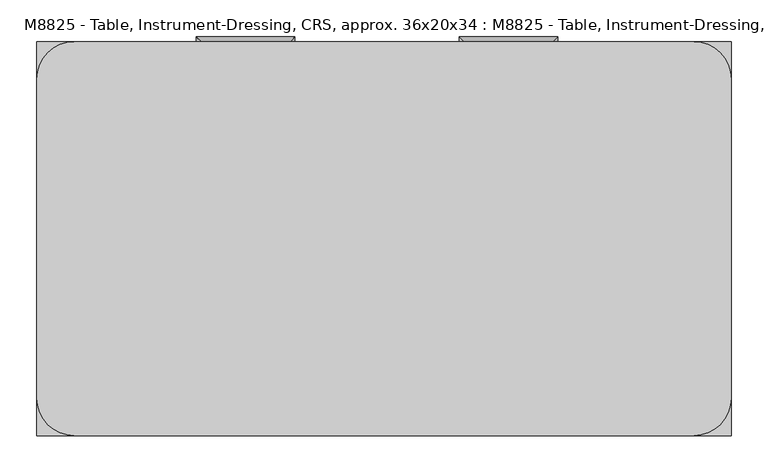
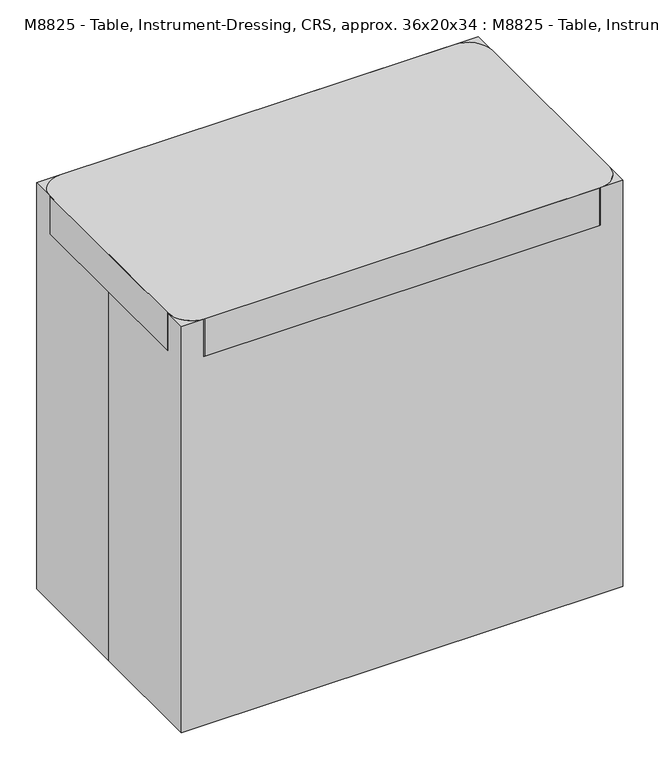
"""IFC4 building model written with IfcOpenShell, lengths in millimetres: proxy geometry, M8825 - Table, Instrument-Dressing, CRS, approx. 36x20x34 : M8825 - Table, Instrument-Dressing, CRS, approx. 36x20x34."""

from ifc_helpers import new_model, si_unit, point, frame, frame_2d, origin, origin_with_axes, place, context, project, spatial, polyline, circle_curve, ellipse_curve, trimmed, segment, composite_curve, outline, extrude, source, transform, mapped, element, save
from ifc_brep_helpers import plane_surface, cylinder_surface, advanced_brep


def m8825_table_instrument_dressing_crs_approx_36x20x34_m8825_625bd398(model_context):
    return source(origin(), model_context, "Body", "SolidModel", [
        extrude(outline(polyline([(-349.25, -174.4117179), (-400.05, -174.4117179), (-400.05, 171.4283546), (-349.25, 171.4283546), (-349.25, 209.5283546), (349.25, 209.5283546), (349.25, 171.4283546), (400.05, 171.4283546), (400.05, -174.4117179), (349.25, -174.4117179), (349.25, -212.5117179), (-349.25, -212.5117179), (-349.25, -174.4117179)])), frame((0.0, 0.0, 292.1), z_axis=(0.0, 0.0, 1.0), x_axis=(1.0, 0.0, 0.0)), (0.0, 0.0, 1.0), 38.1),
        advanced_brep(
        [(101.6, 228.5783546, 755.65), (114.3, 228.5783546, 755.65), (114.3, 260.35, 755.65), (101.6, 273.05, 755.65), (222.25, 260.35, 755.65), (234.95, 273.05, 755.65), (234.95, 228.5783546, 755.65), (222.25, 228.5783546, 755.65)],
        [
            (0, 1, circle_curve(frame((107.95, 228.5783546, 755.65), z_axis=(0.0, -1.0, 0.0), x_axis=(1.0, 0.0, 0.0)), 6.35)),
            (1, 0, circle_curve(frame((107.95, 228.5783546, 755.65), z_axis=(0.0, -1.0, 0.0), x_axis=(1.0, 0.0, 0.0)), 6.35)),
            (1, 2),
            (2, 3, ellipse_curve(frame((107.95, 266.7, 755.65), z_axis=(-0.7071067811865457, -0.7071067811865492, 0.0), x_axis=(0.7071067811865491, -0.7071067811865458, 0.0)), 8.9802561, 6.35)),
            (3, 0),
            (3, 2, ellipse_curve(frame((107.95, 266.7, 755.65), z_axis=(-0.7071067811865457, -0.7071067811865492, 0.0), x_axis=(0.7071067811865491, -0.7071067811865458, 0.0)), 8.9802561, 6.35)),
            (2, 4),
            (4, 5, ellipse_curve(frame((228.6, 266.7, 755.65), z_axis=(-0.7071067811865492, 0.7071067811865457, 0.0), x_axis=(-0.7071067811865458, -0.7071067811865492, 0.0)), 8.9802561, 6.35)),
            (5, 3),
            (5, 4, ellipse_curve(frame((228.6, 266.7, 755.65), z_axis=(-0.7071067811865492, 0.7071067811865457, 0.0), x_axis=(-0.7071067811865458, -0.7071067811865492, 0.0)), 8.9802561, 6.35)),
            (6, 7, circle_curve(frame((228.6, 228.5783546, 755.65), z_axis=(0.0, -1.0, 0.0), x_axis=(-1.0, 0.0, 0.0)), 6.35)),
            (7, 6, circle_curve(frame((228.6, 228.5783546, 755.65), z_axis=(0.0, -1.0, 0.0), x_axis=(-1.0, 0.0, 0.0)), 6.35)),
            (4, 7),
            (6, 5),
        ],
        [
            plane_surface(frame((107.95, 228.5783546, 755.65), z_axis=(0.0, -1.0, 0.0), x_axis=(0.0, 0.0, 1.0))),
            cylinder_surface(frame((107.95, 228.5783546, 755.65), z_axis=(0.0, -1.0, 0.0), x_axis=(1.0, 0.0, 0.0)), 6.35),
            cylinder_surface(frame((107.95, 266.7, 755.65), z_axis=(-1.0, 0.0, 0.0), x_axis=(0.0, -1.0, 0.0)), 6.35),
            plane_surface(frame((228.6, 228.5783546, 755.65), z_axis=(0.0, -1.0, 0.0), x_axis=(0.0, 0.0, 1.0))),
            cylinder_surface(frame((228.6, 266.7, 755.65), z_axis=(0.0, 1.0, 0.0), x_axis=(-1.0, 0.0, 0.0)), 6.35),
        ],
        [
            (0, [[1, 2]]),
            (1, [[3, 4, 5, -2]]),
            (1, [[-5, 6, -3, -1]]),
            (2, [[7, 8, 9, -4]]),
            (2, [[-9, 10, -7, -6]]),
            (3, [[11, 12]]),
            (4, [[13, -11, 14, -8]]),
            (4, [[-14, -12, -13, -10]]),
        ],
    ),
        extrude(outline(polyline([(328.7951144, 228.5783546), (328.7951144, 209.5283546), (23.9951144, 209.5283546), (23.9951144, 228.5783546), (328.7951144, 228.5783546)])), frame((0.0, 0.0, 714.264534), z_axis=(0.0, 0.0, 1.0), x_axis=(1.0, 0.0, 0.0)), (0.0, 0.0, 1.0), 88.9),
        advanced_brep(
        [(-254.0, 228.5783546, 755.65), (-241.3, 228.5783546, 755.65), (-241.3, 260.35, 755.65), (-254.0, 273.05, 755.65), (-133.35, 260.35, 755.65), (-120.65, 273.05, 755.65), (-120.65, 228.5783546, 755.65), (-133.35, 228.5783546, 755.65)],
        [
            (0, 1, circle_curve(frame((-247.65, 228.5783546, 755.65), z_axis=(0.0, -1.0, 0.0), x_axis=(1.0, 0.0, 0.0)), 6.35)),
            (1, 0, circle_curve(frame((-247.65, 228.5783546, 755.65), z_axis=(0.0, -1.0, 0.0), x_axis=(1.0, 0.0, 0.0)), 6.35)),
            (1, 2),
            (2, 3, ellipse_curve(frame((-247.65, 266.7, 755.65), z_axis=(-0.7071067811865457, -0.7071067811865492, 0.0), x_axis=(0.7071067811865491, -0.7071067811865458, 0.0)), 8.9802561, 6.35)),
            (3, 0),
            (3, 2, ellipse_curve(frame((-247.65, 266.7, 755.65), z_axis=(-0.7071067811865457, -0.7071067811865492, 0.0), x_axis=(0.7071067811865491, -0.7071067811865458, 0.0)), 8.9802561, 6.35)),
            (2, 4),
            (4, 5, ellipse_curve(frame((-127.0, 266.7, 755.65), z_axis=(-0.7071067811865492, 0.7071067811865457, 0.0), x_axis=(-0.7071067811865458, -0.7071067811865492, 0.0)), 8.9802561, 6.35)),
            (5, 3),
            (5, 4, ellipse_curve(frame((-127.0, 266.7, 755.65), z_axis=(-0.7071067811865492, 0.7071067811865457, 0.0), x_axis=(-0.7071067811865458, -0.7071067811865492, 0.0)), 8.9802561, 6.35)),
            (6, 7, circle_curve(frame((-127.0, 228.5783546, 755.65), z_axis=(0.0, -1.0, 0.0), x_axis=(-1.0, 0.0, 0.0)), 6.35)),
            (7, 6, circle_curve(frame((-127.0, 228.5783546, 755.65), z_axis=(0.0, -1.0, 0.0), x_axis=(-1.0, 0.0, 0.0)), 6.35)),
            (4, 7),
            (6, 5),
        ],
        [
            plane_surface(frame((-247.65, 228.5783546, 755.65), z_axis=(0.0, -1.0, 0.0), x_axis=(0.0, 0.0, 1.0))),
            cylinder_surface(frame((-247.65, 228.5783546, 755.65), z_axis=(0.0, -1.0, 0.0), x_axis=(1.0, 0.0, 0.0)), 6.35),
            cylinder_surface(frame((-247.65, 266.7, 755.65), z_axis=(-1.0, 0.0, 0.0), x_axis=(0.0, -1.0, 0.0)), 6.35),
            plane_surface(frame((-127.0, 228.5783546, 755.65), z_axis=(0.0, -1.0, 0.0), x_axis=(0.0, 0.0, 1.0))),
            cylinder_surface(frame((-127.0, 266.7, 755.65), z_axis=(0.0, 1.0, 0.0), x_axis=(-1.0, 0.0, 0.0)), 6.35),
        ],
        [
            (0, [[1, 2]]),
            (1, [[3, 4, 5, -2]]),
            (1, [[-5, 6, -3, -1]]),
            (2, [[7, 8, 9, -4]]),
            (2, [[-9, 10, -7, -6]]),
            (3, [[11, 12]]),
            (4, [[13, -11, 14, -8]]),
            (4, [[-14, -12, -13, -10]]),
        ],
    ),
        extrude(outline(polyline([(-26.8048856, 228.5783546), (-26.8048856, 209.5283546), (-331.6048856, 209.5283546), (-331.6048856, 228.5783546), (-26.8048856, 228.5783546)])), frame((0.0, 0.0, 714.264534), z_axis=(0.0, 0.0, 1.0), x_axis=(1.0, 0.0, 0.0)), (0.0, 0.0, 1.0), 88.9),
        extrude(outline(polyline([(349.25, -193.4617179), (349.25, -212.5117179), (-349.25, -212.5117179), (-349.25, -193.4617179), (349.25, -193.4617179)])), frame((0.0, 0.0, 690.1016667), z_axis=(0.0, 0.0, 1.0), x_axis=(1.0, 0.0, 0.0)), (0.0, 0.0, 1.0), 139.7),
        extrude(outline(polyline([(349.25, 209.5283546), (349.25, 190.4783546), (-349.25, 190.4783546), (-349.25, 209.5283546), (349.25, 209.5283546)])), frame((0.0, 0.0, 690.1016667), z_axis=(0.0, 0.0, 1.0), x_axis=(1.0, 0.0, 0.0)), (0.0, 0.0, 1.0), 139.7),
        extrude(outline(polyline([(381.0, 171.4283546), (400.05, 171.4283546), (400.05, -174.4117179), (381.0, -174.4117179), (381.0, 171.4283546)])), frame((0.0, 0.0, 690.1016667), z_axis=(0.0, 0.0, 1.0), x_axis=(1.0, 0.0, 0.0)), (0.0, 0.0, 1.0), 139.7),
        extrude(outline(polyline([(-381.0, -174.4117179), (-400.05, -174.4117179), (-400.05, 171.4283546), (-381.0, 171.4283546), (-381.0, -174.4117179)])), frame((0.0, 0.0, 690.1016667), z_axis=(0.0, 0.0, 1.0), x_axis=(1.0, 0.0, 0.0)), (0.0, 0.0, 1.0), 139.7),
        extrude(outline(polyline([(349.25, 209.5283546), (400.05, 209.5283546), (400.05, 171.4283546), (349.25, 171.4283546), (349.25, 209.5283546)])), frame((0.0, 0.0, 127.0), z_axis=(0.0, 0.0, 1.0), x_axis=(1.0, 0.0, 0.0)), (0.0, 0.0, 1.0), 702.8016667),
        extrude(outline(polyline([(349.25, -212.5117179), (349.25, -174.4117179), (400.05, -174.4117179), (400.05, -212.5117179), (349.25, -212.5117179)])), frame((0.0, 0.0, 127.0), z_axis=(0.0, 0.0, 1.0), x_axis=(1.0, 0.0, 0.0)), (0.0, 0.0, 1.0), 702.8016667),
        extrude(outline(polyline([(-349.25, 209.5283546), (-349.25, 171.4283546), (-400.05, 171.4283546), (-400.05, 209.5283546), (-349.25, 209.5283546)])), frame((0.0, 0.0, 127.0), z_axis=(0.0, 0.0, 1.0), x_axis=(1.0, 0.0, 0.0)), (0.0, 0.0, 1.0), 702.8016667),
        extrude(outline(polyline([(-349.25, -212.5117179), (-400.05, -212.5117179), (-400.05, -174.4117179), (-349.25, -174.4117179), (-349.25, -212.5117179)])), frame((0.0, 0.0, 127.0), z_axis=(0.0, 0.0, 1.0), x_axis=(1.0, 0.0, 0.0)), (0.0, 0.0, 1.0), 702.8016667),
        extrude(outline(composite_curve([segment(trimmed(circle_curve(frame_2d((-366.1833333, -193.6533546)), 16.9333333), [point((-366.1833333, -210.5866879))], [point((-366.1833333, -176.7200213))], False, "CARTESIAN"), True, "CONTINUOUS"), segment(trimmed(circle_curve(frame_2d((-366.1833333, -193.6533546)), 16.9333333), [point((-366.1833333, -176.7200213))], [point((-366.1833333, -210.5866879))], False, "CARTESIAN"), True, "CONTINUOUS")], self_intersect=False)), frame((0.0, 0.0, 84.8149176), z_axis=(0.0, 0.0, 1.0), x_axis=(1.0, 0.0, 0.0)), (0.0, 0.0, 1.0), 42.1850824),
        extrude(outline(composite_curve([segment(trimmed(circle_curve(frame_2d((-366.1833333, 190.4783546)), 16.9333333), [point((-366.1833333, 207.4116879))], [point((-366.1833333, 173.5450213))], False, "CARTESIAN"), True, "CONTINUOUS"), segment(trimmed(circle_curve(frame_2d((-366.1833333, 190.4783546)), 16.9333333), [point((-366.1833333, 173.5450213))], [point((-366.1833333, 207.4116879))], False, "CARTESIAN"), True, "CONTINUOUS")], self_intersect=False)), frame((0.0, 0.0, 84.8149176), z_axis=(0.0, 0.0, 1.0), x_axis=(1.0, 0.0, 0.0)), (0.0, 0.0, 1.0), 42.1850824),
        extrude(outline(composite_curve([segment(trimmed(circle_curve(frame_2d((50.8, -349.25)), 50.8), [point((50.8, -400.05))], [point((50.8, -298.45))], False, "CARTESIAN"), True, "CONTINUOUS"), segment(trimmed(circle_curve(frame_2d((50.8, -349.25)), 50.8), [point((50.8, -298.45))], [point((50.8, -400.05))], False, "CARTESIAN"), True, "CONTINUOUS")], self_intersect=False)), frame((0.0, 152.4, 0.0), z_axis=(0.0, 1.0, 0.0), x_axis=(0.0, 0.0, 1.0)), (0.0, 0.0, 1.0), 19.05),
        extrude(outline(composite_curve([segment(trimmed(circle_curve(frame_2d((50.8, -349.25)), 50.8), [point((50.8, -400.05))], [point((50.8, -298.45))], False, "CARTESIAN"), True, "CONTINUOUS"), segment(trimmed(circle_curve(frame_2d((50.8, -349.25)), 50.8), [point((50.8, -298.45))], [point((50.8, -400.05))], False, "CARTESIAN"), True, "CONTINUOUS")], self_intersect=False)), frame((0.0, 209.55, 0.0), z_axis=(0.0, 1.0, 0.0), x_axis=(0.0, 0.0, 1.0)), (0.0, 0.0, 1.0), 19.05),
        extrude(outline(composite_curve([segment(trimmed(circle_curve(frame_2d((50.8, -349.25)), 33.8666667), [point((50.8, -315.3833333))], [point((50.8, -383.1166667))], False, "CARTESIAN"), True, "CONTINUOUS"), segment(trimmed(circle_curve(frame_2d((50.8, -349.25)), 33.8666667), [point((50.8, -383.1166667))], [point((50.8, -315.3833333))], False, "CARTESIAN"), True, "CONTINUOUS")], self_intersect=False)), frame((0.0, 171.45, 0.0), z_axis=(0.0, 1.0, 0.0), x_axis=(0.0, 0.0, 1.0)), (0.0, 0.0, 1.0), 38.1),
        extrude(outline(composite_curve([segment(trimmed(circle_curve(frame_2d((50.8, -349.25)), 50.8), [point((50.8, -400.05))], [point((50.8, -298.45))], False, "CARTESIAN"), True, "CONTINUOUS"), segment(trimmed(circle_curve(frame_2d((50.8, -349.25)), 50.8), [point((50.8, -298.45))], [point((50.8, -400.05))], False, "CARTESIAN"), True, "CONTINUOUS")], self_intersect=False)), frame((0.0, -174.4117179, 0.0), z_axis=(0.0, 1.0, 0.0), x_axis=(0.0, 0.0, 1.0)), (0.0, 0.0, 1.0), 19.05),
        extrude(outline(composite_curve([segment(trimmed(circle_curve(frame_2d((50.8, -349.25)), 50.8), [point((50.8, -400.05))], [point((50.8, -298.45))], False, "CARTESIAN"), True, "CONTINUOUS"), segment(trimmed(circle_curve(frame_2d((50.8, -349.25)), 50.8), [point((50.8, -298.45))], [point((50.8, -400.05))], False, "CARTESIAN"), True, "CONTINUOUS")], self_intersect=False)), frame((0.0, -231.5617179, 0.0), z_axis=(0.0, 1.0, 0.0), x_axis=(0.0, 0.0, 1.0)), (0.0, 0.0, 1.0), 19.05),
        extrude(outline(composite_curve([segment(trimmed(circle_curve(frame_2d((50.8, -349.25)), 33.8666667), [point((50.8, -315.3833333))], [point((50.8, -383.1166667))], False, "CARTESIAN"), True, "CONTINUOUS"), segment(trimmed(circle_curve(frame_2d((50.8, -349.25)), 33.8666667), [point((50.8, -383.1166667))], [point((50.8, -315.3833333))], False, "CARTESIAN"), True, "CONTINUOUS")], self_intersect=False)), frame((0.0, -212.5117179, 0.0), z_axis=(0.0, 1.0, 0.0), x_axis=(0.0, 0.0, 1.0)), (0.0, 0.0, 1.0), 38.1),
        extrude(outline(composite_curve([segment(trimmed(circle_curve(frame_2d((366.1833333, -193.6533546)), 16.9333333), [point((366.1833333, -210.5866879))], [point((366.1833333, -176.7200213))], False, "CARTESIAN"), True, "CONTINUOUS"), segment(trimmed(circle_curve(frame_2d((366.1833333, -193.6533546)), 16.9333333), [point((366.1833333, -176.7200213))], [point((366.1833333, -210.5866879))], False, "CARTESIAN"), True, "CONTINUOUS")], self_intersect=False)), frame((0.0, 0.0, 84.8149176), z_axis=(0.0, 0.0, 1.0), x_axis=(1.0, 0.0, 0.0)), (0.0, 0.0, 1.0), 42.1850824),
        extrude(outline(composite_curve([segment(trimmed(circle_curve(frame_2d((366.1833333, 190.4783546)), 16.9333333), [point((366.1833333, 207.4116879))], [point((366.1833333, 173.5450213))], False, "CARTESIAN"), True, "CONTINUOUS"), segment(trimmed(circle_curve(frame_2d((366.1833333, 190.4783546)), 16.9333333), [point((366.1833333, 173.5450213))], [point((366.1833333, 207.4116879))], False, "CARTESIAN"), True, "CONTINUOUS")], self_intersect=False)), frame((0.0, 0.0, 84.8149176), z_axis=(0.0, 0.0, 1.0), x_axis=(1.0, 0.0, 0.0)), (0.0, 0.0, 1.0), 42.1850824),
        extrude(outline(composite_curve([segment(trimmed(circle_curve(frame_2d((50.8, 349.25)), 50.8), [point((50.8, 400.05))], [point((50.8, 298.45))], False, "CARTESIAN"), True, "CONTINUOUS"), segment(trimmed(circle_curve(frame_2d((50.8, 349.25)), 50.8), [point((50.8, 298.45))], [point((50.8, 400.05))], False, "CARTESIAN"), True, "CONTINUOUS")], self_intersect=False)), frame((0.0, 152.4, 0.0), z_axis=(0.0, 1.0, 0.0), x_axis=(0.0, 0.0, 1.0)), (0.0, 0.0, 1.0), 19.05),
        extrude(outline(composite_curve([segment(trimmed(circle_curve(frame_2d((50.8, 349.25)), 50.8), [point((50.8, 400.05))], [point((50.8, 298.45))], False, "CARTESIAN"), True, "CONTINUOUS"), segment(trimmed(circle_curve(frame_2d((50.8, 349.25)), 50.8), [point((50.8, 298.45))], [point((50.8, 400.05))], False, "CARTESIAN"), True, "CONTINUOUS")], self_intersect=False)), frame((0.0, 209.55, 0.0), z_axis=(0.0, 1.0, 0.0), x_axis=(0.0, 0.0, 1.0)), (0.0, 0.0, 1.0), 19.05),
        extrude(outline(composite_curve([segment(trimmed(circle_curve(frame_2d((50.8, 349.25)), 33.8666667), [point((50.8, 315.3833333))], [point((50.8, 383.1166667))], False, "CARTESIAN"), True, "CONTINUOUS"), segment(trimmed(circle_curve(frame_2d((50.8, 349.25)), 33.8666667), [point((50.8, 383.1166667))], [point((50.8, 315.3833333))], False, "CARTESIAN"), True, "CONTINUOUS")], self_intersect=False)), frame((0.0, 171.45, 0.0), z_axis=(0.0, 1.0, 0.0), x_axis=(0.0, 0.0, 1.0)), (0.0, 0.0, 1.0), 38.1),
        extrude(outline(composite_curve([segment(trimmed(circle_curve(frame_2d((50.8, 349.25)), 50.8), [point((50.8, 400.05))], [point((50.8, 298.45))], False, "CARTESIAN"), True, "CONTINUOUS"), segment(trimmed(circle_curve(frame_2d((50.8, 349.25)), 50.8), [point((50.8, 298.45))], [point((50.8, 400.05))], False, "CARTESIAN"), True, "CONTINUOUS")], self_intersect=False)), frame((0.0, -174.4117179, 0.0), z_axis=(0.0, 1.0, 0.0), x_axis=(0.0, 0.0, 1.0)), (0.0, 0.0, 1.0), 19.05),
        extrude(outline(composite_curve([segment(trimmed(circle_curve(frame_2d((50.8, 349.25)), 50.8), [point((50.8, 400.05))], [point((50.8, 298.45))], False, "CARTESIAN"), True, "CONTINUOUS"), segment(trimmed(circle_curve(frame_2d((50.8, 349.25)), 50.8), [point((50.8, 298.45))], [point((50.8, 400.05))], False, "CARTESIAN"), True, "CONTINUOUS")], self_intersect=False)), frame((0.0, -231.5617179, 0.0), z_axis=(0.0, 1.0, 0.0), x_axis=(0.0, 0.0, 1.0)), (0.0, 0.0, 1.0), 19.05),
        extrude(outline(composite_curve([segment(trimmed(circle_curve(frame_2d((50.8, 349.25)), 33.8666667), [point((50.8, 315.3833333))], [point((50.8, 383.1166667))], False, "CARTESIAN"), True, "CONTINUOUS"), segment(trimmed(circle_curve(frame_2d((50.8, 349.25)), 33.8666667), [point((50.8, 383.1166667))], [point((50.8, 315.3833333))], False, "CARTESIAN"), True, "CONTINUOUS")], self_intersect=False)), frame((0.0, -212.5117179, 0.0), z_axis=(0.0, 1.0, 0.0), x_axis=(0.0, 0.0, 1.0)), (0.0, 0.0, 1.0), 38.1),
        extrude(outline(composite_curve([segment(polyline([(419.1, -266.7), (-419.1, -266.7)]), True, "CONTINUOUS"), segment(trimmed(circle_curve(frame_2d((-419.1, -215.9)), 50.8), [point((-419.1, -266.7))], [point((-469.9, -215.9))], False, "CARTESIAN"), True, "CONTINUOUS"), segment(polyline([(-469.9, -215.9), (-469.9, 215.9)]), True, "CONTINUOUS"), segment(trimmed(circle_curve(frame_2d((-419.1, 215.9)), 50.8), [point((-469.9, 215.9))], [point((-419.1, 266.7))], False, "CARTESIAN"), True, "CONTINUOUS"), segment(polyline([(-419.1, 266.7), (419.1, 266.7)]), True, "CONTINUOUS"), segment(trimmed(circle_curve(frame_2d((419.1, 215.9)), 50.8), [point((419.1, 266.7))], [point((469.9, 215.9))], False, "CARTESIAN"), True, "CONTINUOUS"), segment(polyline([(469.9, 215.9), (469.9, -215.9)]), True, "CONTINUOUS"), segment(trimmed(circle_curve(frame_2d((419.1, -215.9)), 50.8), [point((469.9, -215.9))], [point((419.1, -266.7))], False, "CARTESIAN"), True, "CONTINUOUS")], self_intersect=False)), frame((0.0, 0.0, 829.8016667), z_axis=(0.0, 0.0, 1.0), x_axis=(1.0, 0.0, 0.0)), (0.0, 0.0, 1.0), 84.5983333),
        extrude(outline(polyline([(-469.9, -266.7), (-469.9, 0.0), (-469.9, 266.7), (469.9, 266.7), (469.9, -266.7), (-469.9, -266.7)])), origin_with_axes(), (0.0, 0.0, 1.0), 914.4),
    ])


if __name__ == "__main__":
    model = new_model("IFC4")
    model_context = context("Model", 3, world=origin())
    ifc_project = project(units=[si_unit("LENGTHUNIT", "METRE", prefix="MILLI")], contexts=[model_context])
    site = spatial("IfcSite", under=ifc_project)
    building = spatial("IfcBuilding", under=site)
    placement = place(None, origin())
    m8825_table_instrument_dressing_crs_approx_36x20x34_m8825_shape = m8825_table_instrument_dressing_crs_approx_36x20x34_m8825_625bd398(model_context)
    element("IfcBuildingElementProxy", 1, Name="M8825 - Table, Instrument-Dressing, CRS, approx. 36x20x34 : M8825 - Table, Instrument-Dressing, CRS, approx. 36x20x34", ObjectType="M8825 - Table, Instrument-Dressing, CRS, approx. 36x20x34 : M8825 - Table, Instrument-Dressing, CRS, approx. 36x20x34", at=placement, inside=building, context=model_context, shape_type="MappedRepresentation", body=[
        mapped(m8825_table_instrument_dressing_crs_approx_36x20x34_m8825_shape, transform((0.0, 0.0, 0.0), x_axis=(1.0, 0.0, 0.0), y_axis=(0.0, 1.0, 0.0), z_axis=(0.0, 0.0, 1.0))),
    ])
    save(model, "model.ifc")
